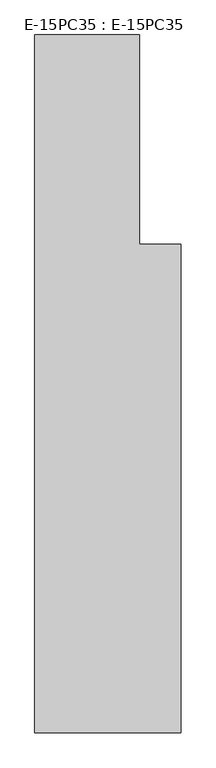
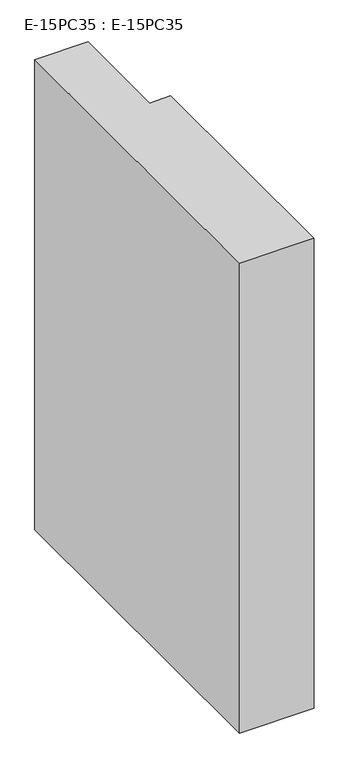
"""IFC4 building model written with IfcOpenShell, lengths in millimetres: column geometry, E-15PC35 : E-15PC35."""

from ifc_helpers import new_model, si_unit, frame, origin, place, context, project, spatial, polyline, outline, extrude, source, transform, mapped, element, save


def e_15pc35_e_15pc35_41f3311c(model_context):
    return source(origin(), model_context, "Body", "SweptSolid", [
        extrude(outline(polyline([(0.0, -720.0), (0.0, 1280.0), (300.0, 1280.0), (300.0, 680.0), (420.0, 680.0), (420.0, -720.0), (0.0, -720.0)])), frame((0.0, 0.0, 26000.0), z_axis=(0.0, 0.0, 1.0), x_axis=(1.0, 0.0, 0.0)), (0.0, 0.0, 1.0), 2800.0),
    ])


if __name__ == "__main__":
    model = new_model("IFC4")
    model_context = context("Model", 3, world=origin())
    ifc_project = project(units=[si_unit("LENGTHUNIT", "METRE", prefix="MILLI")], contexts=[model_context])
    site = spatial("IfcSite", under=ifc_project)
    building = spatial("IfcBuilding", under=site)
    placement = place(None, origin())
    e_15pc35_e_15pc35_shape = e_15pc35_e_15pc35_41f3311c(model_context)
    element("IfcColumn", 1, ObjectType="E-15PC35 : E-15PC35", at=placement, inside=building, context=model_context, shape_type="MappedRepresentation", body=[
        mapped(e_15pc35_e_15pc35_shape, transform((0.0, 0.0, 0.0), x_axis=(1.0, 0.0, 0.0), y_axis=(0.0, 1.0, 0.0), z_axis=(0.0, 0.0, 1.0))),
    ])
    save(model, "model.ifc")
